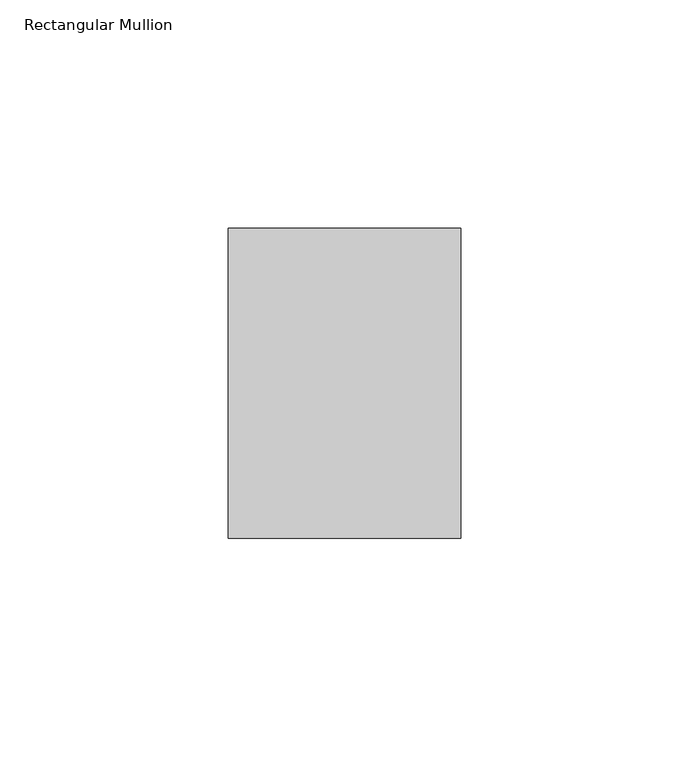
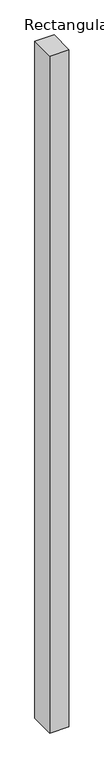
"""IFC4 building model written with IfcOpenShell, lengths in millimetres: member geometry, Rectangular Mullion."""

from ifc_helpers import new_model, si_unit, frame, origin, place, context, project, spatial, polyline, outline, extrude, source, transform, mapped, element, save


def rectangular_mullion_8ddfb0b9(model_context):
    return source(origin(), model_context, "Body", "SweptSolid", [
        extrude(outline(polyline([(0.0, 68.0), (0.0, 0.0), (-51.0, 0.0), (-51.0, 68.0), (0.0, 68.0)])), frame((0.0, 0.0, -1896.0), z_axis=(0.0, 0.0, 1.0), x_axis=(1.0, 0.0, 0.0)), (0.0, 0.0, 1.0), 1896.0),
    ])


if __name__ == "__main__":
    model = new_model("IFC4")
    model_context = context("Model", 3, world=origin())
    ifc_project = project(units=[si_unit("LENGTHUNIT", "METRE", prefix="MILLI")], contexts=[model_context])
    site = spatial("IfcSite", under=ifc_project)
    building = spatial("IfcBuilding", under=site)
    placement = place(None, origin())
    rectangular_mullion_shape = rectangular_mullion_8ddfb0b9(model_context)
    element("IfcMember", 1, ObjectType="Rectangular Mullion", at=placement, inside=building, context=model_context, shape_type="MappedRepresentation", body=[
        mapped(rectangular_mullion_shape, transform((0.0, 0.0, 0.0), x_axis=(1.0, 0.0, 0.0), y_axis=(0.0, 1.0, 0.0), z_axis=(0.0, 0.0, 1.0))),
    ])
    save(model, "model.ifc")
